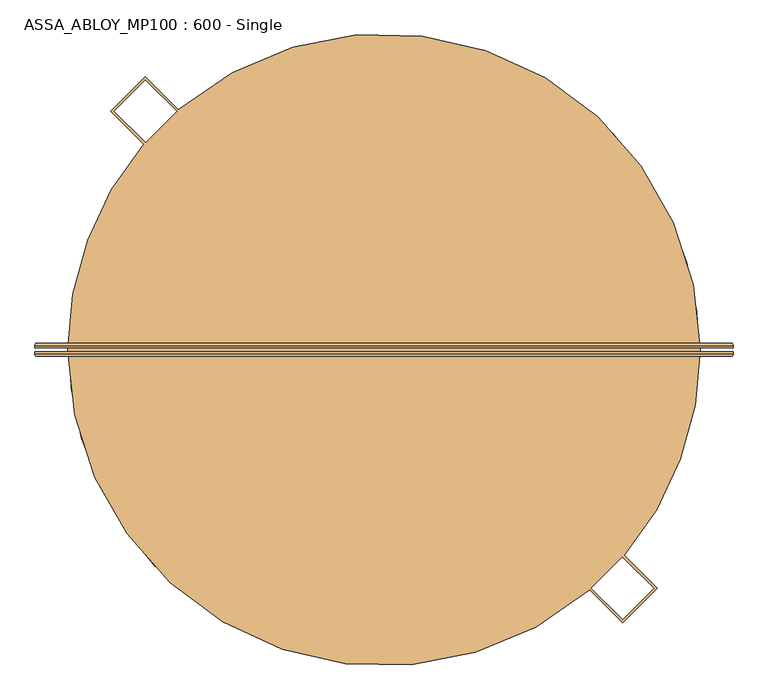
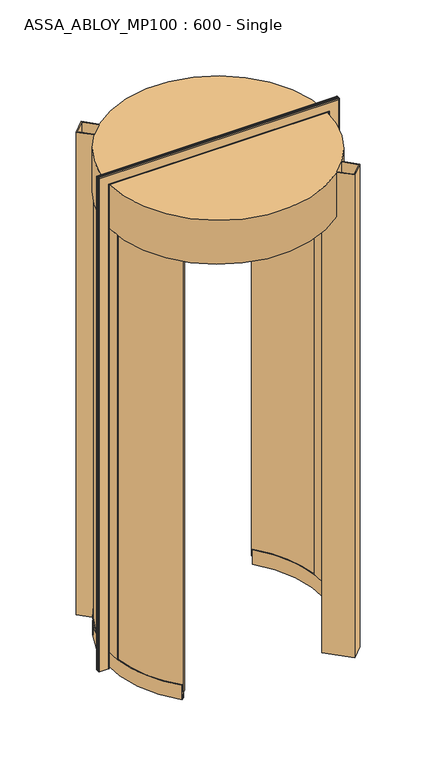
"""IFC4 building model written with IfcOpenShell, lengths in millimetres: door geometry, ASSA_ABLOY_MP100 : 600 - Single."""

from ifc_helpers import new_model, si_unit, point, frame, frame_2d, origin, place, context, project, spatial, polyline, circle_curve, ellipse_curve, trimmed, segment, composite_curve, outline, extrude, source, transform, mapped, element, save
from ifc_brep_helpers import plane_surface, cylinder_surface, revolved_surface, advanced_brep


def assa_abloy_mp100_600_single_ea1487eb(model_context):
    return source(origin(), model_context, "Body", "SolidModel", [
        advanced_brep(
        [(692.5980762, 11.0, 0.0), (696.5980762, 7.0, 0.0), (696.5980762, 3.0, 0.0), (694.5980762, 3.0, 0.0), (694.5980762, 7.0, 0.0), (692.5980762, 9.0, 0.0), (650.5980762, 9.0, 0.0), (648.5980762, 7.0, 0.0), (648.5980762, 3.0, 0.0), (646.5980762, 3.0, 0.0), (646.5980762, 7.0, 0.0), (650.5980762, 11.0, 0.0), (692.5980762, 11.0, 2470.9980762), (696.5980762, 7.0, 2474.9980762), (696.5980762, 3.0, 2474.9980762), (646.5980762, 7.0, 2424.9980762), (650.5980762, 11.0, 2428.9980762), (-400.5980762, 11.0, 2428.9980762), (-400.5980762, 11.0, 0.0), (-442.5980762, 11.0, 0.0), (-442.5980762, 11.0, 2470.9980762), (-446.5980762, 7.0, 2474.9980762), (-446.5980762, 3.0, 2474.9980762), (-396.5980762, 7.0, 2424.9980762), (-396.5980762, 7.0, 0.0), (-396.5980762, 3.0, 0.0), (-398.5980762, 3.0, 0.0), (-398.5980762, 7.0, 0.0), (-400.5980762, 9.0, 0.0), (-442.5980762, 9.0, 0.0), (-444.5980762, 7.0, 0.0), (-444.5980762, 3.0, 0.0), (-446.5980762, 3.0, 0.0), (-446.5980762, 7.0, 0.0), (-444.5980762, 3.0, 2472.9980762), (694.5980762, 3.0, 2472.9980762), (694.5980762, 7.0, 2472.9980762), (692.5980762, 9.0, 2470.9980762), (-442.5980762, 9.0, 2470.9980762), (-400.5980762, 9.0, 2428.9980762), (650.5980762, 9.0, 2428.9980762), (648.5980762, 7.0, 2426.9980762), (648.5980762, 3.0, 2426.9980762), (-398.5980762, 3.0, 2426.9980762), (-396.5980762, 3.0, 2424.9980762), (646.5980762, 3.0, 2424.9980762), (-444.5980762, 7.0, 2472.9980762), (-398.5980762, 7.0, 2426.9980762)],
        [
            (0, 1, circle_curve(frame((692.5980762, 7.0, 0.0), z_axis=(0.0, 0.0, -1.0), x_axis=(-1.0, 0.0, 0.0)), 4.0)),
            (1, 2),
            (2, 3),
            (3, 4),
            (4, 5, circle_curve(frame((692.5980762, 7.0, 0.0), z_axis=(0.0, 0.0, 1.0), x_axis=(-1.0, 0.0, 0.0)), 2.0)),
            (5, 6),
            (6, 7, circle_curve(frame((650.5980762, 7.0, 0.0), z_axis=(0.0, 0.0, 1.0), x_axis=(-1.0, 0.0, 0.0)), 2.0)),
            (7, 8),
            (8, 9),
            (9, 10),
            (10, 11, circle_curve(frame((650.5980762, 7.0, 0.0), z_axis=(0.0, 0.0, -1.0), x_axis=(-1.0, 0.0, 0.0)), 4.0)),
            (11, 0),
            (0, 12),
            (12, 13, ellipse_curve(frame((692.5980762, 7.0, 2470.9980762), z_axis=(0.7071067811865475, 0.0, -0.7071067811865475), x_axis=(-0.7071067811865474, 0.0, -0.7071067811865476)), 5.6568542, 4.0)),
            (13, 1),
            (13, 14),
            (14, 2),
            (10, 15),
            (15, 16, ellipse_curve(frame((650.5980762, 7.0, 2428.9980762), z_axis=(0.7071067811865475, 0.0, -0.7071067811865475), x_axis=(-0.7071067811865474, 0.0, -0.7071067811865476)), 5.6568542, 4.0)),
            (16, 11),
            (16, 17),
            (17, 18),
            (18, 19),
            (19, 20),
            (20, 12),
            (20, 21, ellipse_curve(frame((-442.5980762, 7.0, 2470.9980762), z_axis=(0.7071067811865475, 0.0, 0.7071067811865475), x_axis=(0.7071067811865476, 0.0, -0.7071067811865474)), 5.6568542, 4.0)),
            (21, 13),
            (21, 22),
            (22, 14),
            (15, 23),
            (23, 17, ellipse_curve(frame((-400.5980762, 7.0, 2428.9980762), z_axis=(0.7071067811865475, 0.0, 0.7071067811865475), x_axis=(0.7071067811865476, 0.0, -0.7071067811865474)), 5.6568542, 4.0)),
            (18, 24, circle_curve(frame((-400.5980762, 7.0, 0.0), z_axis=(0.0, 0.0, -1.0), x_axis=(1.0, 0.0, 0.0)), 4.0)),
            (24, 25),
            (25, 26),
            (26, 27),
            (27, 28, circle_curve(frame((-400.5980762, 7.0, 0.0), z_axis=(0.0, 0.0, 1.0), x_axis=(1.0, 0.0, 0.0)), 2.0)),
            (28, 29),
            (29, 30, circle_curve(frame((-442.5980762, 7.0, 0.0), z_axis=(0.0, 0.0, 1.0), x_axis=(1.0, 0.0, 0.0)), 2.0)),
            (30, 31),
            (31, 32),
            (32, 33),
            (33, 19, circle_curve(frame((-442.5980762, 7.0, 0.0), z_axis=(0.0, 0.0, -1.0), x_axis=(1.0, 0.0, 0.0)), 4.0)),
            (33, 21),
            (32, 22),
            (23, 24),
            (31, 34),
            (34, 35),
            (35, 3),
            (35, 36),
            (36, 4),
            (36, 37, ellipse_curve(frame((692.5980762, 7.0, 2470.9980762), z_axis=(-0.7071067811865475, 0.0, 0.7071067811865475), x_axis=(0.7071067811865474, 0.0, 0.7071067811865476)), 2.8284271, 2.0)),
            (37, 5),
            (37, 38),
            (38, 29),
            (28, 39),
            (39, 40),
            (40, 6),
            (40, 41, ellipse_curve(frame((650.5980762, 7.0, 2428.9980762), z_axis=(-0.7071067811865475, 0.0, 0.7071067811865475), x_axis=(0.7071067811865474, 0.0, 0.7071067811865476)), 2.8284271, 2.0)),
            (41, 7),
            (41, 42),
            (42, 8),
            (42, 43),
            (43, 26),
            (25, 44),
            (44, 45),
            (45, 9),
            (45, 15),
            (34, 46),
            (46, 36),
            (46, 38, ellipse_curve(frame((-442.5980762, 7.0, 2470.9980762), z_axis=(-0.7071067811865475, 0.0, -0.7071067811865475), x_axis=(-0.7071067811865476, 0.0, 0.7071067811865474)), 2.8284271, 2.0)),
            (39, 47, ellipse_curve(frame((-400.5980762, 7.0, 2428.9980762), z_axis=(-0.7071067811865475, 0.0, -0.7071067811865475), x_axis=(-0.7071067811865476, 0.0, 0.7071067811865474)), 2.8284271, 2.0)),
            (47, 41),
            (47, 43),
            (44, 23),
            (30, 46),
            (27, 47),
        ],
        [
            plane_surface(frame((646.6, 0.0, 0.0), z_axis=(0.0, 0.0, -1.0), x_axis=(0.0, -1.0, 0.0))),
            cylinder_surface(frame((692.5980762, 7.0, 0.0), z_axis=(0.0, 0.0, -1.0), x_axis=(-1.0, 0.0, 0.0)), 4.0),
            plane_surface(frame((696.5980762, 7.0, 0.0), z_axis=(1.0, 0.0, 0.0), x_axis=(0.0, 0.0, 1.0))),
            cylinder_surface(frame((650.5980762, 7.0, 0.0), z_axis=(0.0, 0.0, -1.0), x_axis=(-1.0, 0.0, 0.0)), 4.0),
            plane_surface(frame((650.5980762, 11.0, 0.0), z_axis=(0.0, 1.0, 0.0), x_axis=(0.0, 0.0, 1.0))),
            cylinder_surface(frame((646.6, 7.0, 2470.9980762), z_axis=(1.0, 0.0, 0.0), x_axis=(0.0, 0.0, -1.0)), 4.0),
            plane_surface(frame((696.5980762, 7.0, 2474.9980762), z_axis=(0.0, 0.0, 1.0), x_axis=(-1.0, 0.0, 0.0))),
            cylinder_surface(frame((646.6, 7.0, 2428.9980762), z_axis=(1.0, 0.0, 0.0), x_axis=(0.0, 0.0, -1.0)), 4.0),
            plane_surface(frame((-396.6, 0.0, 0.0), z_axis=(0.0, 0.0, -1.0), x_axis=(0.0, -1.0, 0.0))),
            cylinder_surface(frame((-442.5980762, 7.0, 2425.0), z_axis=(0.0, 0.0, 1.0), x_axis=(1.0, 0.0, 0.0)), 4.0),
            plane_surface(frame((-446.5980762, 7.0, 2474.9980762), z_axis=(-1.0, 0.0, 0.0), x_axis=(0.0, 0.0, -1.0))),
            cylinder_surface(frame((-400.5980762, 7.0, 2425.0), z_axis=(0.0, 0.0, 1.0), x_axis=(1.0, 0.0, 0.0)), 4.0),
            plane_surface(frame((696.5980762, 3.0, 0.0), z_axis=(0.0, -1.0, 0.0), x_axis=(0.0, 0.0, 1.0))),
            plane_surface(frame((694.5980762, 3.0, 0.0), z_axis=(-1.0, 0.0, 0.0), x_axis=(0.0, 0.0, 1.0))),
            revolved_surface(polyline([(690.5980762, 7.0, 2472.9980762), (690.5980762, 7.0, 0.0)]), (692.5980762, 7.0, 0.0), (0.0, 0.0, 1.0)),
            plane_surface(frame((692.5980762, 9.0, 0.0), z_axis=(0.0, -1.0, 0.0), x_axis=(0.0, 0.0, 1.0))),
            revolved_surface(polyline([(648.5980762, 7.0, 2430.998076182502), (648.5980762, 7.0, 0.0)]), (650.5980762, 7.0, 0.0), (0.0, 0.0, 1.0)),
            plane_surface(frame((648.5980762, 7.0, 0.0), z_axis=(1.0, 0.0, 0.0), x_axis=(0.0, 0.0, 1.0))),
            plane_surface(frame((648.5980762, 3.0, 0.0), z_axis=(0.0, -1.0, 0.0), x_axis=(0.0, 0.0, 1.0))),
            plane_surface(frame((646.5980762, 3.0, 0.0), z_axis=(-1.0, 0.0, 0.0), x_axis=(0.0, 0.0, 1.0))),
            plane_surface(frame((694.5980762, 3.0, 2472.9980762), z_axis=(0.0, 0.0, -1.0), x_axis=(-1.0, 0.0, 0.0))),
            revolved_surface(polyline([(-444.59807620000004, 7.0, 2468.9980762), (694.5980762, 7.0, 2468.9980762)]), (646.6, 7.0, 2470.9980762), (-1.0, 0.0, 0.0)),
            revolved_surface(polyline([(-402.5980761825018, 7.0, 2426.9980762), (652.5980761825018, 7.0, 2426.9980762)]), (646.6, 7.0, 2428.9980762), (-1.0, 0.0, 0.0)),
            plane_surface(frame((648.5980762, 7.0, 2426.9980762), z_axis=(0.0, 0.0, 1.0), x_axis=(-1.0, 0.0, 0.0))),
            plane_surface(frame((646.5980762, 3.0, 2424.9980762), z_axis=(0.0, 0.0, -1.0), x_axis=(-1.0, 0.0, 0.0))),
            plane_surface(frame((-444.5980762, 3.0, 2472.9980762), z_axis=(1.0, 0.0, 0.0), x_axis=(0.0, 0.0, -1.0))),
            revolved_surface(polyline([(-440.5980762, 7.0, 0.0), (-440.5980762, 7.0, 2472.9980762)]), (-442.5980762, 7.0, 2425.0), (0.0, 0.0, -1.0)),
            revolved_surface(polyline([(-398.5980762, 7.0, 0.0), (-398.5980762, 7.0, 2430.998076182502)]), (-400.5980762, 7.0, 2425.0), (0.0, 0.0, -1.0)),
            plane_surface(frame((-398.5980762, 7.0, 2426.9980762), z_axis=(-1.0, 0.0, 0.0), x_axis=(0.0, 0.0, -1.0))),
            plane_surface(frame((-396.5980762, 3.0, 2424.9980762), z_axis=(1.0, 0.0, 0.0), x_axis=(0.0, 0.0, -1.0))),
        ],
        [
            (0, [[1, 2, 3, 4, 5, 6, 7, 8, 9, 10, 11, 12]]),
            (1, [[-1, 13, 14, 15]]),
            (2, [[-2, -15, 16, 17]]),
            (3, [[-11, 18, 19, 20]]),
            (4, [[-12, -20, 21, 22, 23, 24, 25, -13]]),
            (5, [[-14, -25, 26, 27]]),
            (6, [[-16, -27, 28, 29]]),
            (7, [[-19, 30, 31, -21]]),
            (8, [[-23, 32, 33, 34, 35, 36, 37, 38, 39, 40, 41, 42]]),
            (9, [[-26, -24, -42, 43]]),
            (10, [[-28, -43, -41, 44]]),
            (11, [[-31, 45, -32, -22]]),
            (12, [[-3, -17, -29, -44, -40, 46, 47, 48]]),
            (13, [[-4, -48, 49, 50]]),
            (14, [[-5, -50, 51, 52]]),
            (15, [[-6, -52, 53, 54, -37, 55, 56, 57]]),
            (16, [[-7, -57, 58, 59]]),
            (17, [[-8, -59, 60, 61]]),
            (18, [[-9, -61, 62, 63, -34, 64, 65, 66]]),
            (19, [[-10, -66, 67, -18]]),
            (20, [[-49, -47, 68, 69]]),
            (21, [[-51, -69, 70, -53]]),
            (22, [[-58, -56, 71, 72]]),
            (23, [[-60, -72, 73, -62]]),
            (24, [[-67, -65, 74, -30]]),
            (25, [[-68, -46, -39, 75]]),
            (26, [[-70, -75, -38, -54]]),
            (27, [[-71, -55, -36, 76]]),
            (28, [[-73, -76, -35, -63]]),
            (29, [[-74, -64, -33, -45]]),
        ],
    ),
        advanced_brep(
        [(646.5980762, -3.0, 0.0), (648.5980762, -3.0, 0.0), (648.5980762, -7.0, 0.0), (650.5980762, -9.0, 0.0), (692.5980762, -9.0, 0.0), (694.5980762, -7.0, 0.0), (694.5980762, -3.0, 0.0), (696.5980762, -3.0, 0.0), (696.5980762, -7.0, 0.0), (692.5980762, -11.0, 0.0), (650.5980762, -11.0, 0.0), (646.5980762, -7.0, 0.0), (696.5980762, -7.0, 2474.9980762), (692.5980762, -11.0, 2470.9980762), (-442.5980762, -11.0, 2470.9980762), (-442.5980762, -11.0, 0.0), (-400.5980762, -11.0, 0.0), (-400.5980762, -11.0, 2428.9980762), (650.5980762, -11.0, 2428.9980762), (646.5980762, -7.0, 2424.9980762), (646.5980762, -3.0, 2424.9980762), (-446.5980762, -7.0, 2474.9980762), (-396.5980762, -7.0, 2424.9980762), (-396.5980762, -3.0, 2424.9980762), (-396.5980762, -3.0, 0.0), (-396.5980762, -7.0, 0.0), (-446.5980762, -7.0, 0.0), (-446.5980762, -3.0, 0.0), (-444.5980762, -3.0, 0.0), (-444.5980762, -7.0, 0.0), (-442.5980762, -9.0, 0.0), (-400.5980762, -9.0, 0.0), (-398.5980762, -7.0, 0.0), (-398.5980762, -3.0, 0.0), (-398.5980762, -3.0, 2426.9980762), (648.5980762, -3.0, 2426.9980762), (648.5980762, -7.0, 2426.9980762), (650.5980762, -9.0, 2428.9980762), (-400.5980762, -9.0, 2428.9980762), (-442.5980762, -9.0, 2470.9980762), (692.5980762, -9.0, 2470.9980762), (694.5980762, -7.0, 2472.9980762), (694.5980762, -3.0, 2472.9980762), (-444.5980762, -3.0, 2472.9980762), (-446.5980762, -3.0, 2474.9980762), (696.5980762, -3.0, 2474.9980762), (-398.5980762, -7.0, 2426.9980762), (-444.5980762, -7.0, 2472.9980762)],
        [
            (0, 1),
            (1, 2),
            (2, 3, circle_curve(frame((650.5980762, -7.0, 0.0), z_axis=(0.0, 0.0, 1.0), x_axis=(-1.0, 0.0, 0.0)), 2.0)),
            (3, 4),
            (4, 5, circle_curve(frame((692.5980762, -7.0, 0.0), z_axis=(0.0, 0.0, 1.0), x_axis=(-1.0, 0.0, 0.0)), 2.0)),
            (5, 6),
            (6, 7),
            (7, 8),
            (8, 9, circle_curve(frame((692.5980762, -7.0, 0.0), z_axis=(0.0, 0.0, -1.0), x_axis=(-1.0, 0.0, 0.0)), 4.0)),
            (9, 10),
            (10, 11, circle_curve(frame((650.5980762, -7.0, 0.0), z_axis=(0.0, 0.0, -1.0), x_axis=(-1.0, 0.0, 0.0)), 4.0)),
            (11, 0),
            (8, 12),
            (12, 13, ellipse_curve(frame((692.5980762, -7.0, 2470.9980762), z_axis=(0.7071067811865475, 0.0, -0.7071067811865475), x_axis=(-0.7071067811865474, 0.0, -0.7071067811865476)), 5.6568542, 4.0)),
            (13, 9),
            (13, 14),
            (14, 15),
            (15, 16),
            (16, 17),
            (17, 18),
            (18, 10),
            (18, 19, ellipse_curve(frame((650.5980762, -7.0, 2428.9980762), z_axis=(0.7071067811865475, 0.0, -0.7071067811865475), x_axis=(-0.7071067811865474, 0.0, -0.7071067811865476)), 5.6568542, 4.0)),
            (19, 11),
            (19, 20),
            (20, 0),
            (12, 21),
            (21, 14, ellipse_curve(frame((-442.5980762, -7.0, 2470.9980762), z_axis=(0.7071067811865475, 0.0, 0.7071067811865475), x_axis=(0.7071067811865476, 0.0, -0.7071067811865474)), 5.6568542, 4.0)),
            (17, 22, ellipse_curve(frame((-400.5980762, -7.0, 2428.9980762), z_axis=(0.7071067811865475, 0.0, 0.7071067811865475), x_axis=(0.7071067811865476, 0.0, -0.7071067811865474)), 5.6568542, 4.0)),
            (22, 19),
            (22, 23),
            (23, 20),
            (24, 25),
            (25, 16, circle_curve(frame((-400.5980762, -7.0, 0.0), z_axis=(0.0, 0.0, -1.0), x_axis=(1.0, 0.0, 0.0)), 4.0)),
            (15, 26, circle_curve(frame((-442.5980762, -7.0, 0.0), z_axis=(0.0, 0.0, -1.0), x_axis=(1.0, 0.0, 0.0)), 4.0)),
            (26, 27),
            (27, 28),
            (28, 29),
            (29, 30, circle_curve(frame((-442.5980762, -7.0, 0.0), z_axis=(0.0, 0.0, 1.0), x_axis=(1.0, 0.0, 0.0)), 2.0)),
            (30, 31),
            (31, 32, circle_curve(frame((-400.5980762, -7.0, 0.0), z_axis=(0.0, 0.0, 1.0), x_axis=(1.0, 0.0, 0.0)), 2.0)),
            (32, 33),
            (33, 24),
            (21, 26),
            (25, 22),
            (24, 23),
            (33, 34),
            (34, 35),
            (35, 1),
            (35, 36),
            (36, 2),
            (36, 37, ellipse_curve(frame((650.5980762, -7.0, 2428.9980762), z_axis=(-0.7071067811865475, 0.0, 0.7071067811865475), x_axis=(0.7071067811865474, 0.0, 0.7071067811865476)), 2.8284271, 2.0)),
            (37, 3),
            (37, 38),
            (38, 31),
            (30, 39),
            (39, 40),
            (40, 4),
            (40, 41, ellipse_curve(frame((692.5980762, -7.0, 2470.9980762), z_axis=(-0.7071067811865475, 0.0, 0.7071067811865475), x_axis=(0.7071067811865474, 0.0, 0.7071067811865476)), 2.8284271, 2.0)),
            (41, 5),
            (41, 42),
            (42, 6),
            (42, 43),
            (43, 28),
            (27, 44),
            (44, 45),
            (45, 7),
            (45, 12),
            (34, 46),
            (46, 36),
            (46, 38, ellipse_curve(frame((-400.5980762, -7.0, 2428.9980762), z_axis=(-0.7071067811865475, 0.0, -0.7071067811865475), x_axis=(-0.7071067811865476, 0.0, 0.7071067811865474)), 2.8284271, 2.0)),
            (39, 47, ellipse_curve(frame((-442.5980762, -7.0, 2470.9980762), z_axis=(-0.7071067811865475, 0.0, -0.7071067811865475), x_axis=(-0.7071067811865476, 0.0, 0.7071067811865474)), 2.8284271, 2.0)),
            (47, 41),
            (47, 43),
            (44, 21),
            (32, 46),
            (29, 47),
        ],
        [
            plane_surface(frame((646.6, 0.0, 0.0), z_axis=(0.0, 0.0, -1.0), x_axis=(0.0, -1.0, 0.0))),
            cylinder_surface(frame((692.5980762, -7.0, 0.0), z_axis=(0.0, 0.0, -1.0), x_axis=(-1.0, 0.0, 0.0)), 4.0),
            plane_surface(frame((692.5980762, -11.0, 0.0), z_axis=(0.0, -1.0, 0.0), x_axis=(0.0, 0.0, 1.0))),
            cylinder_surface(frame((650.5980762, -7.0, 0.0), z_axis=(0.0, 0.0, -1.0), x_axis=(-1.0, 0.0, 0.0)), 4.0),
            plane_surface(frame((646.5980762, -7.0, 0.0), z_axis=(-1.0, 0.0, 0.0), x_axis=(0.0, 0.0, 1.0))),
            cylinder_surface(frame((646.6, -7.0, 2470.9980762), z_axis=(1.0, 0.0, 0.0), x_axis=(0.0, 0.0, -1.0)), 4.0),
            cylinder_surface(frame((646.6, -7.0, 2428.9980762), z_axis=(1.0, 0.0, 0.0), x_axis=(0.0, 0.0, -1.0)), 4.0),
            plane_surface(frame((646.5980762, -7.0, 2424.9980762), z_axis=(0.0, 0.0, -1.0), x_axis=(-1.0, 0.0, 0.0))),
            plane_surface(frame((-396.6, 0.0, 0.0), z_axis=(0.0, 0.0, -1.0), x_axis=(0.0, -1.0, 0.0))),
            cylinder_surface(frame((-442.5980762, -7.0, 2425.0), z_axis=(0.0, 0.0, 1.0), x_axis=(1.0, 0.0, 0.0)), 4.0),
            cylinder_surface(frame((-400.5980762, -7.0, 2425.0), z_axis=(0.0, 0.0, 1.0), x_axis=(1.0, 0.0, 0.0)), 4.0),
            plane_surface(frame((-396.5980762, -7.0, 2424.9980762), z_axis=(1.0, 0.0, 0.0), x_axis=(0.0, 0.0, -1.0))),
            plane_surface(frame((646.5980762, -3.0, 0.0), z_axis=(0.0, 1.0, 0.0), x_axis=(0.0, 0.0, 1.0))),
            plane_surface(frame((648.5980762, -3.0, 0.0), z_axis=(1.0, 0.0, 0.0), x_axis=(0.0, 0.0, 1.0))),
            revolved_surface(polyline([(648.5980762, -7.0, 2430.998076182502), (648.5980762, -7.0, 0.0)]), (650.5980762, -7.0, 0.0), (0.0, 0.0, 1.0)),
            plane_surface(frame((650.5980762, -9.0, 0.0), z_axis=(0.0, 1.0, 0.0), x_axis=(0.0, 0.0, 1.0))),
            revolved_surface(polyline([(690.5980762, -7.0, 2472.9980762), (690.5980762, -7.0, 0.0)]), (692.5980762, -7.0, 0.0), (0.0, 0.0, 1.0)),
            plane_surface(frame((694.5980762, -7.0, 0.0), z_axis=(-1.0, 0.0, 0.0), x_axis=(0.0, 0.0, 1.0))),
            plane_surface(frame((694.5980762, -3.0, 0.0), z_axis=(0.0, 1.0, 0.0), x_axis=(0.0, 0.0, 1.0))),
            plane_surface(frame((696.5980762, -3.0, 0.0), z_axis=(1.0, 0.0, 0.0), x_axis=(0.0, 0.0, 1.0))),
            plane_surface(frame((648.5980762, -3.0, 2426.9980762), z_axis=(0.0, 0.0, 1.0), x_axis=(-1.0, 0.0, 0.0))),
            revolved_surface(polyline([(-402.5980761825018, -7.0, 2426.9980762), (652.5980761825018, -7.0, 2426.9980762)]), (646.6, -7.0, 2428.9980762), (-1.0, 0.0, 0.0)),
            revolved_surface(polyline([(-444.59807620000004, -7.0, 2468.9980762), (694.5980762, -7.0, 2468.9980762)]), (646.6, -7.0, 2470.9980762), (-1.0, 0.0, 0.0)),
            plane_surface(frame((694.5980762, -7.0, 2472.9980762), z_axis=(0.0, 0.0, -1.0), x_axis=(-1.0, 0.0, 0.0))),
            plane_surface(frame((696.5980762, -3.0, 2474.9980762), z_axis=(0.0, 0.0, 1.0), x_axis=(-1.0, 0.0, 0.0))),
            plane_surface(frame((-398.5980762, -3.0, 2426.9980762), z_axis=(-1.0, 0.0, 0.0), x_axis=(0.0, 0.0, -1.0))),
            revolved_surface(polyline([(-398.5980762, -7.0, 0.0), (-398.5980762, -7.0, 2430.998076182502)]), (-400.5980762, -7.0, 2425.0), (0.0, 0.0, -1.0)),
            revolved_surface(polyline([(-440.5980762, -7.0, 0.0), (-440.5980762, -7.0, 2472.9980762)]), (-442.5980762, -7.0, 2425.0), (0.0, 0.0, -1.0)),
            plane_surface(frame((-444.5980762, -7.0, 2472.9980762), z_axis=(1.0, 0.0, 0.0), x_axis=(0.0, 0.0, -1.0))),
            plane_surface(frame((-446.5980762, -3.0, 2474.9980762), z_axis=(-1.0, 0.0, 0.0), x_axis=(0.0, 0.0, -1.0))),
        ],
        [
            (0, [[1, 2, 3, 4, 5, 6, 7, 8, 9, 10, 11, 12]]),
            (1, [[-9, 13, 14, 15]]),
            (2, [[-10, -15, 16, 17, 18, 19, 20, 21]]),
            (3, [[-11, -21, 22, 23]]),
            (4, [[-12, -23, 24, 25]]),
            (5, [[-14, 26, 27, -16]]),
            (6, [[-22, -20, 28, 29]]),
            (7, [[-24, -29, 30, 31]]),
            (8, [[32, 33, -18, 34, 35, 36, 37, 38, 39, 40, 41, 42]]),
            (9, [[-27, 43, -34, -17]]),
            (10, [[-28, -19, -33, 44]]),
            (11, [[-30, -44, -32, 45]]),
            (12, [[-1, -25, -31, -45, -42, 46, 47, 48]]),
            (13, [[-2, -48, 49, 50]]),
            (14, [[-3, -50, 51, 52]]),
            (15, [[-4, -52, 53, 54, -39, 55, 56, 57]]),
            (16, [[-5, -57, 58, 59]]),
            (17, [[-6, -59, 60, 61]]),
            (18, [[-7, -61, 62, 63, -36, 64, 65, 66]]),
            (19, [[-8, -66, 67, -13]]),
            (20, [[-49, -47, 68, 69]]),
            (21, [[-51, -69, 70, -53]]),
            (22, [[-58, -56, 71, 72]]),
            (23, [[-60, -72, 73, -62]]),
            (24, [[-67, -65, 74, -26]]),
            (25, [[-68, -46, -41, 75]]),
            (26, [[-70, -75, -40, -54]]),
            (27, [[-71, -55, -38, 76]]),
            (28, [[-73, -76, -37, -63]]),
            (29, [[-74, -64, -35, -43]]),
        ],
    ),
        advanced_brep(
        [(-235.2894957, -340.9649276, 73.0), (-237.4684463, -343.0270075, 73.0), (-237.4684463, -343.0270075, 39.0), (-247.6368829, -352.6500475, 39.0), (-247.6368829, -352.6500475, 73.0), (-249.8158336, -354.7121275, 73.0), (-249.8158336, -354.7121275, 0.0), (-247.6368829, -352.6500475, 0.0), (-247.6368829, -352.6500475, 24.0), (-237.4684463, -343.0270075, 24.0), (-237.4684463, -343.0270075, 0.0), (-235.2894957, -340.9649276, 0.0), (-263.6935511, 308.1930009, 73.0), (-263.6935511, 308.1930009, 0.0), (-266.0442832, 310.0568836, 0.0), (-266.0442832, 310.0568836, 24.0), (-277.0143663, 318.7550028, 24.0), (-277.0143663, 318.7550028, 0.0), (-279.3650984, 320.6188854, 0.0), (-279.3650984, 320.6188854, 73.0), (-277.0143663, 318.7550028, 73.0), (-277.0143663, 318.7550028, 39.0), (-266.0442832, 310.0568836, 39.0), (-266.0442832, 310.0568836, 73.0), (-367.3576943, -60.4111192, 73.0), (-370.3353641, -60.7764721, 73.0), (-373.7689834, 16.7452596, 73.0), (-370.7706727, 16.6445969, 73.0), (-387.7611, 17.2150179, 73.0), (-384.2311565, -62.4814513, 73.0), (-387.2088263, -62.8468042, 73.0), (-390.7594107, 17.3156806, 73.0), (-390.7594107, 17.3156806, 2200.0), (-387.2088263, -62.8468042, 2200.0), (-384.2311565, -62.4814513, 2200.0), (-387.7611, 17.2150179, 2200.0), (-370.7706727, 16.6445969, 2200.0), (-373.7689834, 16.7452596, 2200.0), (-370.3353641, -60.7764721, 2200.0), (-367.3576943, -60.4111192, 2200.0)],
        [
            (0, 1),
            (1, 2),
            (2, 3),
            (3, 4),
            (4, 5),
            (5, 6),
            (6, 7),
            (7, 8),
            (8, 9),
            (9, 10),
            (10, 11),
            (11, 0),
            (12, 13),
            (13, 14),
            (14, 15),
            (15, 16),
            (16, 17),
            (17, 18),
            (18, 19),
            (19, 20),
            (20, 21),
            (21, 22),
            (22, 23),
            (23, 12),
            (0, 24, circle_curve(frame((125.0, 0.0, 73.0), z_axis=(0.0, 0.0, -1.0), x_axis=(-0.7263168947785216, -0.6873599990974787, 0.0)), 496.05)),
            (24, 25),
            (25, 1, circle_curve(frame((125.0, 0.0, 73.0), z_axis=(0.0, 0.0, 1.0), x_axis=(-0.7263168947785216, -0.6873599990974787, 0.0)), 499.05)),
            (23, 26, circle_curve(frame((125.0, 0.0, 73.0), z_axis=(0.0, 0.0, 1.0), x_axis=(-0.7263168947785216, -0.6873599990974787, 0.0)), 499.05)),
            (26, 27),
            (27, 12, circle_curve(frame((125.0, 0.0, 73.0), z_axis=(0.0, 0.0, -1.0), x_axis=(-0.7263168947785216, -0.6873599990974787, 0.0)), 496.05)),
            (25, 26, circle_curve(frame((125.0, 0.0, 73.0), z_axis=(0.0, 0.0, -1.0), x_axis=(-0.7263168947785216, -0.6873599990974787, 0.0)), 499.05)),
            (22, 2, circle_curve(frame((125.0, 0.0, 39.0), z_axis=(0.0, 0.0, 1.0), x_axis=(-0.7263168947785216, -0.6873599990974787, 0.0)), 499.05)),
            (21, 3, circle_curve(frame((125.0, 0.0, 39.0), z_axis=(0.0, 0.0, 1.0), x_axis=(-0.7263168947785216, -0.6873599990974787, 0.0)), 513.05)),
            (20, 28, circle_curve(frame((125.0, 0.0, 73.0), z_axis=(0.0, 0.0, 1.0), x_axis=(-0.7263168947785216, -0.6873599990974787, 0.0)), 513.05)),
            (28, 29, circle_curve(frame((125.0, 0.0, 73.0), z_axis=(0.0, 0.0, 1.0), x_axis=(-0.7263168947785216, -0.6873599990974787, 0.0)), 513.05)),
            (29, 4, circle_curve(frame((125.0, 0.0, 73.0), z_axis=(0.0, 0.0, 1.0), x_axis=(-0.7263168947785216, -0.6873599990974787, 0.0)), 513.05)),
            (29, 30),
            (30, 5, circle_curve(frame((125.0, 0.0, 73.0), z_axis=(0.0, 0.0, 1.0), x_axis=(-0.7263168947785216, -0.6873599990974787, 0.0)), 516.05)),
            (19, 31, circle_curve(frame((125.0, 0.0, 73.0), z_axis=(0.0, 0.0, 1.0), x_axis=(-0.7263168947785216, -0.6873599990974787, 0.0)), 516.05)),
            (31, 28),
            (30, 31, circle_curve(frame((125.0, 0.0, 73.0), z_axis=(0.0, 0.0, -1.0), x_axis=(-0.7263168947785216, -0.6873599990974787, 0.0)), 516.05)),
            (18, 6, circle_curve(frame((125.0, 0.0, 0.0), z_axis=(0.0, 0.0, 1.0), x_axis=(-0.7263168947785216, -0.6873599990974787, 0.0)), 516.05)),
            (17, 7, circle_curve(frame((125.0, 0.0, 0.0), z_axis=(0.0, 0.0, 1.0), x_axis=(-0.7263168947785216, -0.6873599990974787, 0.0)), 513.05)),
            (16, 8, circle_curve(frame((125.0, 0.0, 24.0), z_axis=(0.0, 0.0, 1.0), x_axis=(-0.7263168947785216, -0.6873599990974787, 0.0)), 513.05)),
            (15, 9, circle_curve(frame((125.0, 0.0, 24.0), z_axis=(0.0, 0.0, 1.0), x_axis=(-0.7263168947785216, -0.6873599990974787, 0.0)), 499.05)),
            (14, 10, circle_curve(frame((125.0, 0.0, 0.0), z_axis=(0.0, 0.0, 1.0), x_axis=(-0.7263168947785216, -0.6873599990974787, 0.0)), 499.05)),
            (13, 11, circle_curve(frame((125.0, 0.0, 0.0), z_axis=(0.0, 0.0, 1.0), x_axis=(-0.7263168947785216, -0.6873599990974787, 0.0)), 496.05)),
            (27, 24, circle_curve(frame((125.0, 0.0, 73.0), z_axis=(0.0, 0.0, 1.0), x_axis=(-0.7263168947785216, -0.6873599990974787, 0.0)), 496.05)),
            (32, 33, circle_curve(frame((125.0, 0.0, 2200.0), z_axis=(0.0, 0.0, 1.0), x_axis=(0.7071067811865459, -0.7071067811865491, 0.0)), 516.05)),
            (33, 34),
            (34, 35, circle_curve(frame((125.0, 0.0, 2200.0), z_axis=(0.0, 0.0, -1.0), x_axis=(0.7071067811865459, -0.7071067811865491, 0.0)), 513.05)),
            (35, 32),
            (32, 31),
            (30, 33),
            (29, 34),
            (28, 35),
            (36, 37),
            (37, 38, circle_curve(frame((125.0, 0.0, 2200.0), z_axis=(0.0, 0.0, 1.0), x_axis=(0.7071067811865459, -0.7071067811865492, 0.0)), 499.05)),
            (38, 39),
            (39, 36, circle_curve(frame((125.0, 0.0, 2200.0), z_axis=(0.0, 0.0, -1.0), x_axis=(0.7071067811865459, -0.7071067811865492, 0.0)), 496.05)),
            (36, 27),
            (26, 37),
            (25, 38),
            (24, 39),
        ],
        [
            plane_surface(frame((-242.5526646, -347.8385275, 0.0), z_axis=(0.6873599990974788, -0.7263168947785217, 0.0), x_axis=(0.0, 0.0, 1.0))),
            plane_surface(frame((-271.5293248, 314.4059432, 0.0), z_axis=(0.6212942262348817, 0.7835773634091273, 0.0), x_axis=(0.0, 0.0, 1.0))),
            plane_surface(frame((125.0, 0.0, 73.0), z_axis=(0.0, 0.0, 1.0000000000000002), x_axis=(-0.7263168947785217, -0.6873599990974788, 0.0))),
            cylinder_surface(frame((125.0, 0.0, 0.0), z_axis=(0.0, 0.0, -1.0), x_axis=(-0.7263168947785216, -0.6873599990974787, 0.0)), 499.05),
            plane_surface(frame((125.0, 0.0, 39.0), z_axis=(0.0, 0.0, 1.0000000000000002), x_axis=(-0.7263168947785217, -0.6873599990974788, 0.0))),
            revolved_surface(polyline([(-247.63688286612046, -352.65004753696144, 39.0), (-247.63688286612046, -352.65004753696144, 73.0)]), (125.0, 0.0, 0.0), (0.0, 0.0, -1.0)),
            cylinder_surface(frame((125.0, 0.0, 0.0), z_axis=(0.0, 0.0, -1.0), x_axis=(-0.7263168947785216, -0.6873599990974787, 0.0)), 516.05),
            plane_surface(frame((125.0, 0.0, 0.0), z_axis=(0.0, 0.0, -1.0000000000000002), x_axis=(-0.7263168947785217, -0.6873599990974788, 0.0))),
            revolved_surface(polyline([(-247.63688286612046, -352.65004753696144, 0.0), (-247.63688286612046, -352.65004753696144, 24.0)]), (125.0, 0.0, 0.0), (0.0, 0.0, -1.0)),
            plane_surface(frame((125.0, 0.0, 24.0), z_axis=(0.0, 0.0, -1.0000000000000002), x_axis=(-0.7263168947785217, -0.6873599990974788, 0.0))),
            revolved_surface(polyline([(-235.28949565488563, -340.9649275523043, 0.0), (-235.28949565488563, -340.9649275523043, 73.0)]), (125.0, 0.0, 0.0), (0.0, 0.0, -1.0)),
            plane_surface(frame((489.9024544, -364.9024544, 2200.0), z_axis=(0.0, 0.0, 1.0), x_axis=(0.7071067811865491, 0.7071067811865459, 0.0))),
            cylinder_surface(frame((125.0, 0.0, 73.0), z_axis=(0.0, 0.0, 1.0), x_axis=(0.7071067811865459, -0.7071067811865491, 0.0)), 516.05),
            plane_surface(frame((-387.2088263, -62.8468042, 2200.0), z_axis=(0.12178429884552378, -0.9925565901018965, 0.0), x_axis=(0.0, 0.0, -1.0))),
            revolved_surface(polyline([(487.7811340877573, -362.78113408775897, 73.0), (487.7811340877573, -362.78113408775897, 2200.0)]), (125.0, 0.0, 73.0), (0.0, 0.0, -1.0)),
            plane_surface(frame((-387.7611, 17.2150179, 2200.0), z_axis=(0.03355423653842843, 0.9994368980632661, 0.0), x_axis=(0.0, 0.0, -1.0))),
            plane_surface(frame((-370.7706727, 16.6445969, 2200.0), z_axis=(0.0, 0.0, 1.0000000000000002), x_axis=(-0.9994368980318687, 0.03355423747362182, 0.0))),
            plane_surface(frame((-370.7706727, 16.6445969, 2200.0), z_axis=(0.03355423747362182, 0.9994368980318687, 0.0), x_axis=(0.0, 0.0, -1.0))),
            cylinder_surface(frame((125.0, 0.0, 73.0), z_axis=(0.0, 0.0, 1.0000000000000002), x_axis=(0.7071067811865459, -0.7071067811865492, 0.0)), 499.05),
            plane_surface(frame((-370.3353641, -60.7764721, 2200.0), z_axis=(0.12178429996182864, -0.9925565899649287, 0.0), x_axis=(0.0, 0.0, -1.0))),
            revolved_surface(polyline([(475.7603188075861, -350.76031880758774, 73.0), (475.7603188075861, -350.76031880758774, 2200.000000000001)]), (125.0, 0.0, 73.0), (0.0, 0.0, -1.0000000000000002)),
        ],
        [
            (0, [[1, 2, 3, 4, 5, 6, 7, 8, 9, 10, 11, 12]]),
            (1, [[13, 14, 15, 16, 17, 18, 19, 20, 21, 22, 23, 24]]),
            (2, [[-1, 25, 26, 27]]),
            (2, [[-24, 28, 29, 30]]),
            (3, [[-2, -27, 31, -28, -23, 32]]),
            (4, [[-3, -32, -22, 33]]),
            (5, [[-4, -33, -21, 34, 35, 36]]),
            (2, [[-5, -36, 37, 38]]),
            (2, [[-20, 39, 40, -34]]),
            (6, [[-6, -38, 41, -39, -19, 42]]),
            (7, [[-7, -42, -18, 43]]),
            (8, [[-8, -43, -17, 44]]),
            (9, [[-9, -44, -16, 45]]),
            (3, [[-10, -45, -15, 46]]),
            (7, [[-11, -46, -14, 47]]),
            (10, [[-12, -47, -13, -30, 48, -25]]),
            (11, [[49, 50, 51, 52]]),
            (12, [[-49, 53, -41, 54]]),
            (13, [[-50, -54, -37, 55]]),
            (14, [[-51, -55, -35, 56]]),
            (15, [[-52, -56, -40, -53]]),
            (16, [[57, 58, 59, 60]]),
            (17, [[-57, 61, -29, 62]]),
            (18, [[-58, -62, -31, 63]]),
            (19, [[-59, -63, -26, 64]]),
            (20, [[-60, -64, -48, -61]]),
        ],
    ),
        advanced_brep(
        [(637.2074017, 62.8465953, 2200.0), (634.2297319, 62.4812425, 2200.0), (637.7596625, -17.2149359, 2200.0), (640.7579732, -17.3155985, 2200.0), (637.2074017, 62.8465953, 73.0), (634.2297319, 62.4812425, 73.0), (637.7596625, -17.2149359, 73.0), (640.7579732, -17.3155985, 73.0), (527.0158052, -318.7508713, 24.0), (527.0158052, -318.7508713, 0.0), (529.3665523, -320.614735, 0.0), (529.3665523, -320.614735, 73.0), (527.0158052, -318.7508713, 73.0), (527.0158052, -318.7508713, 39.0), (516.045652, -310.0528404, 39.0), (516.045652, -310.0528404, 73.0), (513.6949049, -308.1889767, 73.0), (513.6949049, -308.1889767, 0.0), (516.045652, -310.0528404, 0.0), (516.045652, -310.0528404, 24.0), (497.6377991, 352.6469853, 24.0), (487.469309, 343.0240019, 24.0), (487.469309, 343.0240019, 0.0), (485.2903468, 340.961934, 0.0), (485.2903468, 340.961934, 73.0), (487.469309, 343.0240019, 73.0), (487.469309, 343.0240019, 39.0), (497.6377991, 352.6469853, 39.0), (497.6377991, 352.6469853, 73.0), (499.8167612, 354.7090532, 73.0), (499.8167612, 354.7090532, 0.0), (497.6377991, 352.6469853, 0.0), (620.3339396, 60.7762628, 73.0), (623.7675459, -16.745177, 73.0), (620.7692352, -16.6445144, 73.0), (617.3562698, 60.41091, 73.0), (617.3562698, 60.41091, 2200.0), (620.7692352, -16.6445144, 2200.0), (623.7675459, -16.745177, 2200.0), (620.3339396, 60.7762628, 2200.0)],
        [
            (0, 1),
            (1, 2, circle_curve(frame((125.0, 0.0, 2200.0), z_axis=(0.0, 0.0, -1.0), x_axis=(-0.7071067811865481, -0.7071067811865469, 0.0)), 513.0485606)),
            (2, 3),
            (3, 0, circle_curve(frame((125.0, 0.0, 2200.0), z_axis=(0.0, 0.0, 1.0), x_axis=(-0.7071067811865481, -0.7071067811865469, 0.0)), 516.0485606)),
            (0, 4),
            (4, 5),
            (5, 1),
            (5, 6, circle_curve(frame((125.0, 0.0, 73.0), z_axis=(0.0, 0.0, -1.0), x_axis=(-0.7071067811865481, -0.7071067811865469, 0.0)), 513.0485606)),
            (6, 2),
            (6, 7),
            (7, 3),
            (7, 4, circle_curve(frame((125.0, 0.0, 73.0), z_axis=(0.0, 0.0, 1.0), x_axis=(-0.7071067811865481, -0.7071067811865469, 0.0)), 516.0485606)),
            (8, 9),
            (9, 10),
            (10, 11),
            (11, 12),
            (12, 13),
            (13, 14),
            (14, 15),
            (15, 16),
            (16, 17),
            (17, 18),
            (18, 19),
            (19, 8),
            (20, 21),
            (21, 22),
            (22, 23),
            (23, 24),
            (24, 25),
            (25, 26),
            (26, 27),
            (27, 28),
            (28, 29),
            (29, 30),
            (30, 31),
            (31, 20),
            (8, 20, circle_curve(frame((125.0, 0.0, 24.0), z_axis=(0.0, 0.0, 1.0), x_axis=(0.7835823663325979, -0.6212879164868783, 0.0)), 513.0485606)),
            (31, 9, circle_curve(frame((125.0, 0.0, 0.0), z_axis=(0.0, 0.0, -1.0), x_axis=(0.7835823663325979, -0.6212879164868783, 0.0)), 513.0485606)),
            (30, 10, circle_curve(frame((125.0, 0.0, 0.0), z_axis=(0.0, 0.0, -1.0), x_axis=(0.7835823663325979, -0.6212879164868783, 0.0)), 516.0485606)),
            (29, 4, circle_curve(frame((125.0, 0.0, 73.0), z_axis=(0.0, 0.0, -1.0), x_axis=(0.7835823663325979, -0.6212879164868783, 0.0)), 516.0485606)),
            (7, 11, circle_curve(frame((125.0, 0.0, 73.0), z_axis=(0.0, 0.0, -1.0), x_axis=(0.7835823663325979, -0.6212879164868783, 0.0)), 516.0485606)),
            (6, 12, circle_curve(frame((125.0, 0.0, 73.0), z_axis=(0.0, 0.0, -1.0), x_axis=(0.7835823663325979, -0.6212879164868783, 0.0)), 513.0485606)),
            (28, 5, circle_curve(frame((125.0, 0.0, 73.0), z_axis=(0.0, 0.0, -1.0), x_axis=(0.7835823663325979, -0.6212879164868783, 0.0)), 513.0485606)),
            (27, 13, circle_curve(frame((125.0, 0.0, 39.0), z_axis=(0.0, 0.0, -1.0), x_axis=(0.7835823663325979, -0.6212879164868783, 0.0)), 513.0485606)),
            (26, 14, circle_curve(frame((125.0, 0.0, 39.0), z_axis=(0.0, 0.0, -1.0), x_axis=(0.7835823663325979, -0.6212879164868783, 0.0)), 499.0485606)),
            (25, 32, circle_curve(frame((125.0, 0.0, 73.0), z_axis=(0.0, 0.0, -1.0), x_axis=(0.7835823663325979, -0.6212879164868783, 0.0)), 499.0485606)),
            (32, 33, circle_curve(frame((125.0, 0.0, 73.0), z_axis=(0.0, 0.0, -1.0), x_axis=(0.7835823663325979, -0.6212879164868783, 0.0)), 499.0485606)),
            (33, 15, circle_curve(frame((125.0, 0.0, 73.0), z_axis=(0.0, 0.0, -1.0), x_axis=(0.7835823663325979, -0.6212879164868783, 0.0)), 499.0485606)),
            (33, 34),
            (34, 16, circle_curve(frame((125.0, 0.0, 73.0), z_axis=(0.0, 0.0, -1.0), x_axis=(0.7835823663325979, -0.6212879164868783, 0.0)), 496.0485606)),
            (24, 35, circle_curve(frame((125.0, 0.0, 73.0), z_axis=(0.0, 0.0, -1.0), x_axis=(0.7835823663325979, -0.6212879164868783, 0.0)), 496.0485606)),
            (35, 32),
            (34, 35, circle_curve(frame((125.0, 0.0, 73.0), z_axis=(0.0, 0.0, 1.0), x_axis=(0.7835823663325979, -0.6212879164868783, 0.0)), 496.0485606)),
            (23, 17, circle_curve(frame((125.0, 0.0, 0.0), z_axis=(0.0, 0.0, -1.0), x_axis=(0.7835823663325979, -0.6212879164868783, 0.0)), 496.0485606)),
            (22, 18, circle_curve(frame((125.0, 0.0, 0.0), z_axis=(0.0, 0.0, -1.0), x_axis=(0.7835823663325979, -0.6212879164868783, 0.0)), 499.0485606)),
            (21, 19, circle_curve(frame((125.0, 0.0, 24.0), z_axis=(0.0, 0.0, -1.0), x_axis=(0.7835823663325979, -0.6212879164868783, 0.0)), 499.0485606)),
            (36, 37, circle_curve(frame((125.0, 0.0, 2200.0), z_axis=(0.0, 0.0, -1.0), x_axis=(-0.707106781186548, -0.707106781186547, 0.0)), 496.0485606)),
            (37, 38),
            (38, 39, circle_curve(frame((125.0, 0.0, 2200.0), z_axis=(0.0, 0.0, 1.0), x_axis=(-0.707106781186548, -0.707106781186547, 0.0)), 499.0485606)),
            (39, 36),
            (36, 35),
            (34, 37),
            (33, 38),
            (32, 39),
        ],
        [
            plane_surface(frame((637.2074017, 62.8465953, 2200.0), z_axis=(0.0, 0.0, 1.0), x_axis=(-0.9925565940956277, -0.12178426629613291, 0.0))),
            plane_surface(frame((637.2074017, 62.8465953, 2200.0), z_axis=(-0.12178426629613291, 0.9925565940956277, 0.0), x_axis=(0.0, 0.0, -1.0))),
            revolved_surface(polyline([(-237.78011627825765, -362.780116278257, 73.0), (-237.78011627825765, -362.780116278257, 2200.0)]), (125.0, 0.0, 73.0), (0.0, 0.0, -1.0)),
            plane_surface(frame((637.7596625, -17.2149359, 2200.0), z_axis=(-0.03355420367290622, -0.9994368991666643, 0.0), x_axis=(0.0, 0.0, -1.0))),
            cylinder_surface(frame((125.0, 0.0, 73.0), z_axis=(0.0, 0.0, 1.0), x_axis=(-0.7071067811865481, -0.7071067811865469, 0.0)), 516.0485606),
            plane_surface(frame((521.5307286, -314.4018559, 0.0), z_axis=(-0.6212879164868783, -0.7835823663325979, 0.0), x_axis=(0.0, 0.0, 1.0))),
            plane_surface(frame((492.553554, 347.8354936, 0.0), z_axis=(-0.687355958840812, 0.7263207183097754, 0.0), x_axis=(0.0, 0.0, 1.0))),
            revolved_surface(polyline([(527.0158051584813, -318.7508712717659, 24.0), (527.0158051584813, -318.7508712717659, 0.0)]), (125.0, 0.0, 0.0), (0.0, 0.0, 1.0)),
            plane_surface(frame((125.0, 0.0, 0.0), z_axis=(0.0, 0.0, -1.0), x_axis=(0.7835823663325979, -0.6212879164868783, 0.0))),
            cylinder_surface(frame((125.0, 0.0, 0.0), z_axis=(0.0, 0.0, 1.0), x_axis=(0.7835823663325979, -0.6212879164868783, 0.0)), 516.0485606),
            plane_surface(frame((125.0, 0.0, 73.0), z_axis=(0.0, 0.0, 1.0), x_axis=(0.7835823663325979, -0.6212879164868783, 0.0))),
            revolved_surface(polyline([(527.0158051584813, -318.7508712717659, 73.0), (527.0158051584813, -318.7508712717659, 39.0)]), (125.0, 0.0, 0.0), (0.0, 0.0, 1.0)),
            plane_surface(frame((125.0, 0.0, 39.0), z_axis=(0.0, 0.0, 1.0), x_axis=(0.7835823663325979, -0.6212879164868783, 0.0))),
            cylinder_surface(frame((125.0, 0.0, 0.0), z_axis=(0.0, 0.0, 1.0), x_axis=(0.7835823663325979, -0.6212879164868783, 0.0)), 499.0485606),
            revolved_surface(polyline([(513.6949049308271, -308.18897669148896, 73.0), (513.6949049308271, -308.18897669148896, 0.0)]), (125.0, 0.0, 0.0), (0.0, 0.0, 1.0)),
            plane_surface(frame((125.0, 0.0, 24.0), z_axis=(0.0, 0.0, -1.0), x_axis=(0.7835823663325979, -0.6212879164868783, 0.0))),
            plane_surface(frame((-225.759301, -350.759301, 2200.0), z_axis=(0.0, 0.0, 1.0), x_axis=(-0.707106781186547, 0.707106781186548, 0.0))),
            revolved_surface(polyline([(-225.7593009980863, -350.7593009980858, 73.0), (-225.7593009980863, -350.7593009980858, 2200.0)]), (125.0, 0.0, 73.0), (0.0, 0.0, -1.0)),
            plane_surface(frame((620.7692352, -16.6445144, 2200.0), z_axis=(-0.03355420367031526, -0.9994368991667513, 0.0), x_axis=(0.0, 0.0, -1.0))),
            cylinder_surface(frame((125.0, 0.0, 73.0), z_axis=(0.0, 0.0, 1.0), x_axis=(-0.707106781186548, -0.707106781186547, 0.0)), 499.0485606),
            plane_surface(frame((620.3339396, 60.7762628, 2200.0), z_axis=(-0.12178426630466385, 0.9925565940945811, 0.0), x_axis=(0.0, 0.0, -1.0))),
        ],
        [
            (0, [[1, 2, 3, 4]]),
            (1, [[-1, 5, 6, 7]]),
            (2, [[-2, -7, 8, 9]]),
            (3, [[-3, -9, 10, 11]]),
            (4, [[-4, -11, 12, -5]]),
            (5, [[13, 14, 15, 16, 17, 18, 19, 20, 21, 22, 23, 24]]),
            (6, [[25, 26, 27, 28, 29, 30, 31, 32, 33, 34, 35, 36]]),
            (7, [[-13, 37, -36, 38]]),
            (8, [[-14, -38, -35, 39]]),
            (9, [[-15, -39, -34, 40, -12, 41]]),
            (10, [[-16, -41, -10, 42]]),
            (10, [[-33, 43, -6, -40]]),
            (11, [[-17, -42, -8, -43, -32, 44]]),
            (12, [[-18, -44, -31, 45]]),
            (13, [[-19, -45, -30, 46, 47, 48]]),
            (10, [[-20, -48, 49, 50]]),
            (10, [[-29, 51, 52, -46]]),
            (14, [[-21, -50, 53, -51, -28, 54]]),
            (8, [[-22, -54, -27, 55]]),
            (13, [[-23, -55, -26, 56]]),
            (15, [[-24, -56, -25, -37]]),
            (16, [[57, 58, 59, 60]]),
            (17, [[-57, 61, -53, 62]]),
            (18, [[-58, -62, -49, 63]]),
            (19, [[-59, -63, -47, 64]]),
            (20, [[-60, -64, -52, -61]]),
        ],
    ),
        advanced_brep(
        [(515.6764966, -447.2450391, 2420.0), (572.2450391, -390.6764966, 2420.0), (518.117281, -336.5487385, 2420.0), (642.5, 0.0, 2420.0), (-211.5487385, 393.117281, 2420.0), (-265.6764966, 447.2450391, 2420.0), (-322.2450391, 390.6764966, 2420.0), (-268.117281, 336.5487385, 2420.0), (-392.5, 0.0, 2420.0), (461.5487385, -393.117281, 2420.0), (566.5881849, -390.6764966, 2420.0), (515.6764966, -441.5881849, 2420.0), (464.5854207, -390.4971089, 2420.0), (515.4971089, -339.5854207, 2420.0), (-214.5854207, 390.4971089, 2420.0), (-265.4971089, 339.5854207, 2420.0), (-316.5881849, 390.6764966, 2420.0), (-265.6764966, 441.5881849, 2420.0), (461.5487385, -393.117281, 2200.0), (-392.5, 0.0, 2200.0), (-268.117281, 336.5487385, 2200.0), (-223.2500897, 291.6815472, 2200.0), (-166.6815472, 348.2500897, 2200.0), (-211.5487385, 393.117281, 2200.0), (642.5, 0.0, 2200.0), (518.117281, -336.5487385, 2200.0), (473.2500897, -291.6815472, 2200.0), (416.6815472, -348.2500897, 2200.0), (515.4971089, -339.5854207, 2200.0), (464.5854207, -390.4971089, 2200.0), (422.3384015, -348.2500897, 2200.0), (473.2500897, -297.3384015, 2200.0), (-265.4971089, 339.5854207, 2200.0), (-214.5854207, 390.4971089, 2200.0), (-172.3384015, 348.2500897, 2200.0), (-223.2500897, 297.3384015, 2200.0), (515.6764966, -447.2450391, 0.0), (416.6815472, -348.2500897, 0.0), (473.2500897, -291.6815472, 0.0), (572.2450391, -390.6764966, 0.0), (473.2500897, -297.3384015, 0.0), (422.3384015, -348.2500897, 0.0), (515.6764966, -441.5881849, 0.0), (566.5881849, -390.6764966, 0.0), (-166.6815472, 348.2500897, 0.0), (-223.2500897, 291.6815472, 0.0), (-322.2450391, 390.6764966, 0.0), (-265.6764966, 447.2450391, 0.0), (-316.5881849, 390.6764966, 0.0), (-223.2500897, 297.3384015, 0.0), (-172.3384015, 348.2500897, 0.0), (-265.6764966, 441.5881849, 0.0)],
        [
            (0, 1),
            (1, 2),
            (2, 3, circle_curve(frame((125.0, 0.0, 2420.0), z_axis=(0.0, 0.0, 1.0), x_axis=(1.0, 0.0, 0.0)), 517.5)),
            (3, 4, circle_curve(frame((125.0, 0.0, 2420.0), z_axis=(0.0, 0.0, 1.0), x_axis=(1.0, 0.0, 0.0)), 517.5)),
            (4, 5),
            (5, 6),
            (6, 7),
            (7, 8, circle_curve(frame((125.0, 0.0, 2420.0), z_axis=(0.0, 0.0, 1.0), x_axis=(1.0, 0.0, 0.0)), 517.5)),
            (8, 9, circle_curve(frame((125.0, 0.0, 2420.0), z_axis=(0.0, 0.0, 1.0), x_axis=(1.0, 0.0, 0.0)), 517.5)),
            (9, 0),
            (10, 11),
            (11, 12),
            (12, 13, circle_curve(frame((125.0, 0.0, 2420.0), z_axis=(0.0, 0.0, 1.0), x_axis=(1.0, 0.0, 0.0)), 517.5)),
            (13, 10),
            (14, 15, circle_curve(frame((125.0, 0.0, 2420.0), z_axis=(0.0, 0.0, 1.0), x_axis=(1.0, 0.0, 0.0)), 517.5)),
            (15, 16),
            (16, 17),
            (17, 14),
            (18, 19, circle_curve(frame((125.0, 0.0, 2200.0), z_axis=(0.0, 0.0, -1.0), x_axis=(1.0, 0.0, 0.0)), 517.5)),
            (19, 20, circle_curve(frame((125.0, 0.0, 2200.0), z_axis=(0.0, 0.0, -1.0), x_axis=(1.0, 0.0, 0.0)), 517.5)),
            (20, 21),
            (21, 22),
            (22, 23),
            (23, 24, circle_curve(frame((125.0, 0.0, 2200.0), z_axis=(0.0, 0.0, -1.0), x_axis=(1.0, 0.0, 0.0)), 517.5)),
            (24, 25, circle_curve(frame((125.0, 0.0, 2200.0), z_axis=(0.0, 0.0, -1.0), x_axis=(1.0, 0.0, 0.0)), 517.5)),
            (25, 26),
            (26, 27),
            (27, 18),
            (28, 29, circle_curve(frame((125.0, 0.0, 2200.0), z_axis=(0.0, 0.0, -1.0), x_axis=(1.0, 0.0, 0.0)), 517.5)),
            (29, 30),
            (30, 31),
            (31, 28),
            (32, 33, circle_curve(frame((125.0, 0.0, 2200.0), z_axis=(0.0, 0.0, -1.0), x_axis=(1.0, 0.0, 0.0)), 517.5)),
            (33, 34),
            (34, 35),
            (35, 32),
            (12, 29),
            (28, 13),
            (8, 19),
            (18, 9),
            (24, 3),
            (2, 25),
            (14, 33),
            (32, 15),
            (7, 20),
            (23, 4),
            (36, 37),
            (37, 38),
            (38, 39),
            (39, 36),
            (40, 41),
            (41, 42),
            (42, 43),
            (43, 40),
            (36, 0),
            (27, 37),
            (26, 38),
            (1, 39),
            (40, 31),
            (30, 41),
            (11, 42),
            (10, 43),
            (44, 45),
            (45, 46),
            (46, 47),
            (47, 44),
            (48, 49),
            (49, 50),
            (50, 51),
            (51, 48),
            (44, 22),
            (21, 45),
            (6, 46),
            (5, 47),
            (48, 16),
            (35, 49),
            (34, 50),
            (17, 51),
        ],
        [
            plane_surface(frame((642.5, 0.0, 2420.0), z_axis=(0.0, 0.0, 1.0), x_axis=(0.0, 1.0, 0.0))),
            plane_surface(frame((642.5, 0.0, 2200.0), z_axis=(0.0, 0.0, -1.0), x_axis=(0.0, -1.0, 0.0))),
            cylinder_surface(frame((125.0, 0.0, 2200.0), z_axis=(0.0, 0.0, 1.0), x_axis=(1.0, 0.0, 0.0)), 517.5),
            plane_surface(frame((490.9277593, -365.9277593, 0.0), z_axis=(0.0, 0.0, -1.0), x_axis=(0.707106781186546, -0.7071067811865491, 0.0))),
            plane_surface(frame((515.6764966, -447.2450391, 0.0), z_axis=(-0.707106781186549, -0.7071067811865461, 0.0), x_axis=(0.0, 0.0, 1.0))),
            plane_surface(frame((416.6815472, -348.2500897, 0.0), z_axis=(-0.7071067811865464, 0.7071067811865488, 0.0), x_axis=(0.0, 0.0, 1.0))),
            plane_surface(frame((473.2500897, -291.6815472, 0.0), z_axis=(0.7071067811865495, 0.7071067811865456, 0.0), x_axis=(0.0, 0.0, 1.0))),
            plane_surface(frame((572.2450391, -390.6764966, 0.0), z_axis=(0.7071067811865464, -0.7071067811865488, 0.0), x_axis=(0.0, 0.0, 1.0))),
            plane_surface(frame((473.2500897, -297.3384015, 0.0), z_axis=(0.7071067811865461, -0.707106781186549, 0.0), x_axis=(0.0, 0.0, 1.0))),
            plane_surface(frame((422.3384015, -348.2500897, 0.0), z_axis=(0.7071067811865491, 0.707106781186546, 0.0), x_axis=(0.0, 0.0, 1.0))),
            plane_surface(frame((515.6764966, -441.5881849, 0.0), z_axis=(-0.7071067811865466, 0.7071067811865485, 0.0), x_axis=(0.0, 0.0, 1.0))),
            plane_surface(frame((566.5881849, -390.6764966, 0.0), z_axis=(-0.7071067811865493, -0.7071067811865458, 0.0), x_axis=(0.0, 0.0, 1.0))),
            plane_surface(frame((-240.9277593, 365.9277593, 0.0), z_axis=(0.0, 0.0, -1.0), x_axis=(-0.707106781186546, 0.7071067811865491, 0.0))),
            plane_surface(frame((-166.6815472, 348.2500897, 0.0), z_axis=(0.7071067811865454, -0.7071067811865497, 0.0), x_axis=(0.0, 0.0, 1.0))),
            plane_surface(frame((-223.2500897, 291.6815472, 0.0), z_axis=(-0.7071067811865492, -0.7071067811865459, 0.0), x_axis=(0.0, 0.0, 1.0))),
            plane_surface(frame((-322.2450391, 390.6764966, 0.0), z_axis=(-0.7071067811865462, 0.7071067811865488, 0.0), x_axis=(0.0, 0.0, 1.0))),
            plane_surface(frame((-265.6764966, 447.2450391, 0.0), z_axis=(0.7071067811865492, 0.7071067811865458, 0.0), x_axis=(0.0, 0.0, 1.0))),
            plane_surface(frame((-316.5881849, 390.6764966, 0.0), z_axis=(0.707106781186549, 0.707106781186546, 0.0), x_axis=(0.0, 0.0, 1.0))),
            plane_surface(frame((-223.2500897, 297.3384015, 0.0), z_axis=(-0.7071067811865461, 0.7071067811865489, 0.0), x_axis=(0.0, 0.0, 1.0))),
            plane_surface(frame((-172.3384015, 348.2500897, 0.0), z_axis=(-0.707106781186549, -0.707106781186546, 0.0), x_axis=(0.0, 0.0, 1.0))),
            plane_surface(frame((-265.6764966, 441.5881849, 0.0), z_axis=(0.7071067811865461, -0.7071067811865489, 0.0), x_axis=(0.0, 0.0, 1.0))),
        ],
        [
            (0, [[1, 2, 3, 4, 5, 6, 7, 8, 9, 10], [11, 12, 13, 14], [15, 16, 17, 18]]),
            (1, [[19, 20, 21, 22, 23, 24, 25, 26, 27, 28]]),
            (1, [[29, 30, 31, 32]]),
            (1, [[33, 34, 35, 36]]),
            (2, [[-13, 37, -29, 38]]),
            (2, [[39, -19, 40, -9]]),
            (2, [[41, -3, 42, -25]]),
            (2, [[-15, 43, -33, 44]]),
            (2, [[-39, -8, 45, -20]]),
            (2, [[-41, -24, 46, -4]]),
            (3, [[47, 48, 49, 50], [51, 52, 53, 54]]),
            (4, [[-47, 55, -10, -40, -28, 56]]),
            (5, [[-48, -56, -27, 57]]),
            (6, [[-49, -57, -26, -42, -2, 58]]),
            (7, [[-50, -58, -1, -55]]),
            (8, [[-51, 59, -31, 60]]),
            (9, [[-52, -60, -30, -37, -12, 61]]),
            (10, [[-53, -61, -11, 62]]),
            (11, [[-54, -62, -14, -38, -32, -59]]),
            (12, [[63, 64, 65, 66], [67, 68, 69, 70]]),
            (13, [[-63, 71, -22, 72]]),
            (14, [[-64, -72, -21, -45, -7, 73]]),
            (15, [[-65, -73, -6, 74]]),
            (16, [[-66, -74, -5, -46, -23, -71]]),
            (17, [[-67, 75, -16, -44, -36, 76]]),
            (18, [[-68, -76, -35, 77]]),
            (19, [[-69, -77, -34, -43, -18, 78]]),
            (20, [[-70, -78, -17, -75]]),
        ],
    ),
        extrude(outline(composite_curve([segment(trimmed(circle_curve(frame_2d((125.0, 0.0)), 501.05), [point((-264.9544033, 314.6214644))], [point((-235.5408988, -347.9387343))], True, "CARTESIAN"), True, "CONTINUOUS"), segment(polyline([(-235.5408988, -347.9387343), (-242.7366058, -354.8829262)]), True, "CONTINUOUS"), segment(trimmed(circle_curve(frame_2d((125.0, 0.0)), 511.05), [point((-242.7366058, -354.8829262))], [point((-272.7371476, 320.9007072))], False, "CARTESIAN"), True, "CONTINUOUS"), segment(polyline([(-272.7371476, 320.9007072), (-264.9544033, 314.6214644)]), True, "CONTINUOUS")], self_intersect=False)), frame((0.0, 0.0, 39.0), z_axis=(0.0, 0.0, 1.0), x_axis=(1.0, 0.0, 0.0)), (0.0, 0.0, 1.0), 2161.0),
        extrude(outline(composite_curve([segment(trimmed(circle_curve(frame_2d((125.0, 0.0)), 511.0485606), [point((492.735588, 354.881908))], [point((522.5447376, -321.1367511))], False, "CARTESIAN"), True, "CONTINUOUS"), segment(polyline([(522.5447376, -321.1367511), (514.7657364, -314.8528717)]), True, "CONTINUOUS"), segment(trimmed(circle_curve(frame_2d((125.0, 0.0)), 501.0485606), [point((514.7657364, -314.8528717))], [point((485.5398806, 347.9377165))], True, "CARTESIAN"), True, "CONTINUOUS"), segment(polyline([(485.5398806, 347.9377165), (492.735588, 354.881908)]), True, "CONTINUOUS")], self_intersect=False)), frame((0.0, 0.0, 39.0), z_axis=(0.0, 0.0, 1.0), x_axis=(1.0, 0.0, 0.0)), (0.0, 0.0, 1.0), 2161.0),
    ])


if __name__ == "__main__":
    model = new_model("IFC4")
    model_context = context("Model", 3, world=origin())
    ifc_project = project(units=[si_unit("LENGTHUNIT", "METRE", prefix="MILLI")], contexts=[model_context])
    site = spatial("IfcSite", under=ifc_project)
    building = spatial("IfcBuilding", under=site)
    placement = place(None, origin())
    assa_abloy_mp100_600_single_shape = assa_abloy_mp100_600_single_ea1487eb(model_context)
    element("IfcDoor", 1, ObjectType="ASSA_ABLOY_MP100 : 600 - Single", at=placement, inside=building, context=model_context, shape_type="MappedRepresentation", body=[
        mapped(assa_abloy_mp100_600_single_shape, transform((0.0, 0.0, 0.0), x_axis=(1.0, 0.0, 0.0), y_axis=(0.0, 1.0, 0.0), z_axis=(0.0, 0.0, 1.0))),
    ])
    save(model, "model.ifc")
